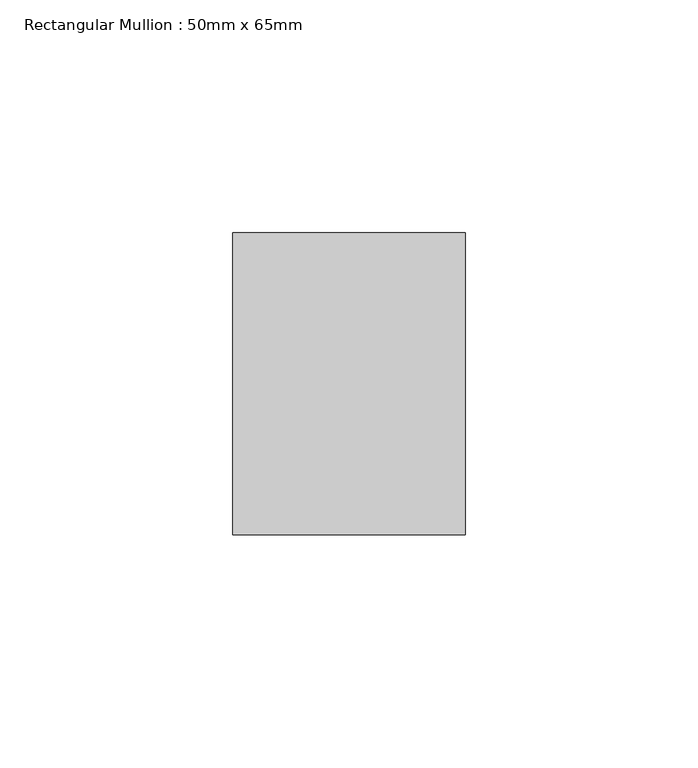
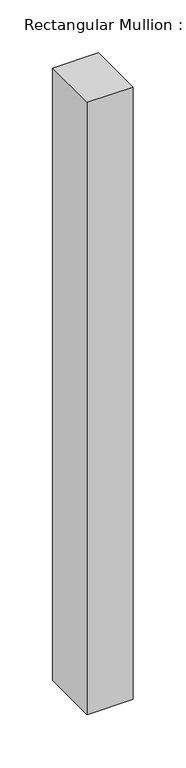
"""IFC4 building model written with IfcOpenShell, lengths in millimetres: member geometry, Rectangular Mullion : 50mm x 65mm."""

import ifcopenshell
import ifcopenshell.guid

model = None  # the IFC model being written
_history = None  # IfcOwnerHistory: only IFC2X3 demands one
_inside = {}  # id of a spatial element -> (the spatial element, [elements in it])
_under = {}  # id of a project, library or spatial element -> (it, [spatial elements below it])
_declared = {}  # id of a project -> (the project, [libraries it declares])
_typed = {}  # id of a type object -> (the type object, [elements of that type])
_made_of = {}  # id of a material, layer set ... -> (it, [elements and type objects made of it])


def new_model(schema):
    """Start an empty IFC model of exactly this schema.

    Asked for "IFC4X3", IfcOpenShell would pick the latest addendum, in which some entities
    have other attributes; the version numbers below select the first issue.
    IFC2X3 requires an IfcOwnerHistory on every rooted entity: one is made here for all.
    """
    global model, _history
    if schema == "IFC4X3":
        model = ifcopenshell.file(schema_version=(4, 3, 0, 0))
    else:
        model = ifcopenshell.file(schema=schema)
    _inside.clear()
    _under.clear()
    _declared.clear()
    _typed.clear()
    _made_of.clear()
    _history = None
    if model.schema == "IFC2X3":
        org = make("IfcOrganization", Name="unknown")
        user = make(
            "IfcPersonAndOrganization",
            ThePerson=make("IfcPerson", FamilyName="unknown"),
            TheOrganization=org,
        )
        app = make(
            "IfcApplication",
            ApplicationDeveloper=org,
            Version="unknown",
            ApplicationFullName="unknown",
            ApplicationIdentifier="unknown",
        )
        _history = make(
            "IfcOwnerHistory",
            OwningUser=user,
            OwningApplication=app,
            ChangeAction="ADDED",
            CreationDate=0,
        )
    return model


def make(cls, **values):
    """One entity of the class cls with the attributes given. An attribute that is None is left unset."""
    return model.create_entity(
        cls, **{name: value for name, value in values.items() if value is not None}
    )


def rooted(cls, **values):
    """An entity with a GlobalId (a new one), such as an element, a storey or a relation."""
    return make(cls, GlobalId=ifcopenshell.guid.new(), OwnerHistory=_history, **values)


def si_unit(unit_type, name, prefix=None):
    """IfcSIUnit, for example si_unit("LENGTHUNIT", "METRE", prefix="MILLI")."""
    return make("IfcSIUnit", UnitType=unit_type, Prefix=prefix, Name=name)


def assignment(units):
    """IfcUnitAssignment: the units of a project."""
    return None if units is None else make("IfcUnitAssignment", Units=units)


def point(xyz):
    """IfcCartesianPoint."""
    return None if xyz is None else make("IfcCartesianPoint", Coordinates=xyz)


def direction(xyz):
    """IfcDirection."""
    return None if xyz is None else make("IfcDirection", DirectionRatios=xyz)


def frame(location, z_axis=None, x_axis=None):
    """IfcAxis2Placement3D, a coordinate frame: its origin and axes. An axis left out is left unset."""
    return make(
        "IfcAxis2Placement3D",
        Location=point(location),
        Axis=direction(z_axis),
        RefDirection=direction(x_axis),
    )


def origin():
    """The frame at (0, 0, 0) with its axes left unset."""
    return frame((0.0, 0.0, 0.0))


def place(relative_to, where):
    """IfcLocalPlacement: puts the frame where relative to a parent placement (None: the world)."""
    return make(
        "IfcLocalPlacement", PlacementRelTo=relative_to, RelativePlacement=where
    )


def context(
    kind, dimensions, precision=None, world=None, true_north=None, identifier=None
):
    """IfcGeometricRepresentationContext, for example the 3D "Model" context."""
    return make(
        "IfcGeometricRepresentationContext",
        ContextIdentifier=identifier,
        ContextType=kind,
        CoordinateSpaceDimension=dimensions,
        Precision=precision,
        WorldCoordinateSystem=world,
        TrueNorth=true_north,
    )


def project(units=None, contexts=None):
    """IfcProject with its units and contexts."""
    return rooted(
        "IfcProject",
        Name="project",
        RepresentationContexts=contexts,
        UnitsInContext=assignment(units),
    )


def spatial(cls, under=None, at=None, **own):
    """A site, building, storey or space (cls), placed at a placement, below another one or the project."""
    s = rooted(cls, ObjectPlacement=at, **own)
    if under is not None:
        _under.setdefault(under.id(), (under, []))[1].append(s)
    return s


def polyline(points):
    """IfcPolyline through the points."""
    return make("IfcPolyline", Points=[point(p) for p in points])


def outline(outer, holes=None, kind="AREA"):
    """IfcArbitraryClosedProfileDef: a profile drawn as a closed curve; with holes, ...WithVoids."""
    if holes is None:
        return make("IfcArbitraryClosedProfileDef", ProfileType=kind, OuterCurve=outer)
    return make(
        "IfcArbitraryProfileDefWithVoids",
        ProfileType=kind,
        OuterCurve=outer,
        InnerCurves=holes,
    )


def extrude(swept, where, along, depth):
    """IfcExtrudedAreaSolid: the profile swept, set in the frame where, extruded along a direction by depth."""
    return make(
        "IfcExtrudedAreaSolid",
        SweptArea=swept,
        Position=where,
        ExtrudedDirection=direction(along),
        Depth=depth,
    )


def shape(context_of_items, identifier, shape_type, items):
    """IfcShapeRepresentation: the items that make up one representation, for example the "Body"."""
    return make(
        "IfcShapeRepresentation",
        ContextOfItems=context_of_items,
        RepresentationIdentifier=identifier,
        RepresentationType=shape_type,
        Items=items,
    )


def source(mapping_origin, context_of_items, identifier, shape_type, items):
    """IfcRepresentationMap: a shape defined once, which mapped items show again and again."""
    return make(
        "IfcRepresentationMap",
        MappingOrigin=mapping_origin,
        MappedRepresentation=shape(context_of_items, identifier, shape_type, items),
    )


def transform(
    local_origin,
    x_axis=None,
    y_axis=None,
    z_axis=None,
    scale=None,
    scale2=None,
    scale3=None,
    uniform=True,
):
    """IfcCartesianTransformationOperator3D, or its non-uniform kind. x_axis, y_axis, z_axis: its Axis1, 2, 3."""
    if uniform:
        return make(
            "IfcCartesianTransformationOperator3D",
            Axis1=direction(x_axis),
            Axis2=direction(y_axis),
            LocalOrigin=point(local_origin),
            Scale=scale,
            Axis3=direction(z_axis),
        )
    return make(
        "IfcCartesianTransformationOperator3DnonUniform",
        Axis1=direction(x_axis),
        Axis2=direction(y_axis),
        LocalOrigin=point(local_origin),
        Scale=scale,
        Axis3=direction(z_axis),
        Scale2=scale2,
        Scale3=scale3,
    )


def mapped(mapping_source, mapping_target):
    """IfcMappedItem: shows the shape of a source again, moved by a transform."""
    return make(
        "IfcMappedItem", MappingSource=mapping_source, MappingTarget=mapping_target
    )


def made_of(thing, what):
    """Note that an element or type object is made of a material, layer set ...; save() writes the relation."""
    if what is not None:
        _made_of.setdefault(what.id(), (what, []))[1].append(thing)
    return thing


def element(
    cls,
    number,
    at=None,
    inside=None,
    cuts=None,
    type_object=None,
    material=None,
    context=None,
    identifier="Body",
    shape_type=None,
    held_by="IfcProductDefinitionShape",
    body=None,
    shapes=None,
    **own,
):
    """One element of the class cls, such as IfcWall. Its Tag is "e" and its number.

    at: its placement. inside: the storey or other place that contains it. cuts: it is an
    opening in that element (IfcRelVoidsElement). A single representation is given by context,
    identifier, shape_type and body (its items); several are given by shapes. held_by: the class
    of the entity that holds the representations. save() writes the other relations.
    """
    e = rooted(cls, Tag="e%d" % number, ObjectPlacement=at, **own)
    if body is not None:
        shapes = [shape(context, identifier, shape_type, body)]
    if shapes is not None:
        e.Representation = make(held_by, Representations=shapes)
    if inside is not None:
        _inside.setdefault(inside.id(), (inside, []))[1].append(e)
    if cuts is not None:
        rooted(
            "IfcRelVoidsElement", RelatingBuildingElement=cuts, RelatedOpeningElement=e
        )
    if type_object is not None:
        _typed.setdefault(type_object.id(), (type_object, []))[1].append(e)
    return made_of(e, material)


def aggregate(whole, parts):
    """IfcRelAggregates: a whole, such as a stair, and the parts it consists of."""
    return rooted("IfcRelAggregates", RelatingObject=whole, RelatedObjects=parts)


def save(model, path):
    """Write the relations noted so far, then the file.

    IfcRelAggregates (storeys below a building ...), IfcRelContainedInSpatialStructure (elements
    in a storey), IfcRelDefinesByType, IfcRelAssociatesMaterial and IfcRelDeclares: one each for
    every whole, place, type object, material and project.
    """
    for whole, parts in _under.values():
        aggregate(whole, parts)
    for where, things in _inside.values():
        rooted(
            "IfcRelContainedInSpatialStructure",
            RelatedElements=things,
            RelatingStructure=where,
        )
    for kind, things in _typed.values():
        rooted("IfcRelDefinesByType", RelatedObjects=things, RelatingType=kind)
    for what, things in _made_of.values():
        rooted("IfcRelAssociatesMaterial", RelatedObjects=things, RelatingMaterial=what)
    for by, libraries in _declared.values():
        rooted("IfcRelDeclares", RelatingContext=by, RelatedDefinitions=libraries)
    model.write(path)


def rectangular_mullion_50mm_x_65mm_458af8bc(model_context):
    return source(origin(), model_context, "Body", "SweptSolid", [
        extrude(outline(polyline([(25.0, 32.5), (25.0, -32.5), (-25.0, -32.5), (-25.0, 32.5), (25.0, 32.5)])), frame((0.0, 0.0, -705.7728827), z_axis=(0.0, 0.0, 1.0), x_axis=(1.0, 0.0, 0.0)), (0.0, 0.0, 1.0), 705.7728827),
    ])


if __name__ == "__main__":
    model = new_model("IFC4")
    model_context = context("Model", 3, world=origin())
    ifc_project = project(units=[si_unit("LENGTHUNIT", "METRE", prefix="MILLI")], contexts=[model_context])
    site = spatial("IfcSite", under=ifc_project)
    building = spatial("IfcBuilding", under=site)
    placement = place(None, origin())
    rectangular_mullion_50mm_x_65mm_shape = rectangular_mullion_50mm_x_65mm_458af8bc(model_context)
    element("IfcMember", 1, ObjectType="Rectangular Mullion : 50mm x 65mm", at=placement, inside=building, context=model_context, shape_type="MappedRepresentation", body=[
        mapped(rectangular_mullion_50mm_x_65mm_shape, transform((0.0, 0.0, 0.0), x_axis=(1.0, 0.0, 0.0), y_axis=(0.0, 1.0, 0.0), z_axis=(0.0, 0.0, 1.0))),
    ])
    save(model, "model.ifc")
